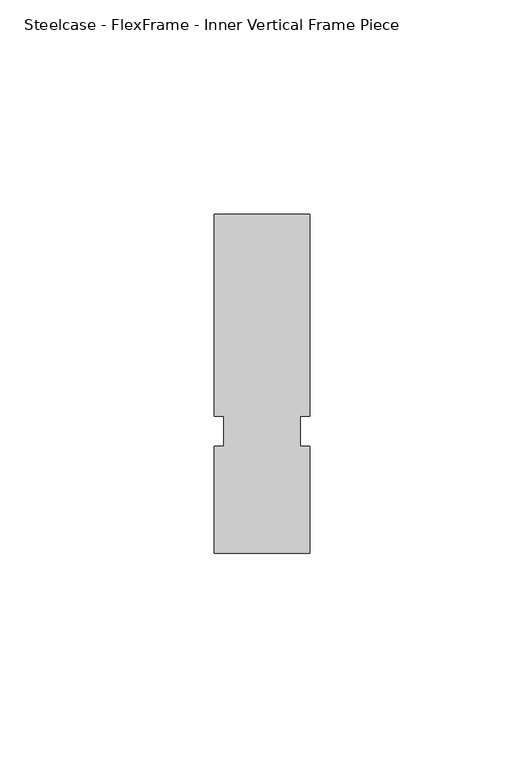
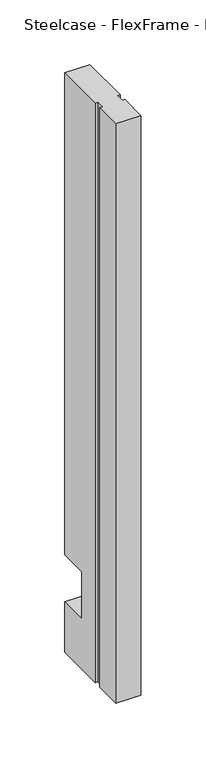
"""IFC4 building model written with IfcOpenShell, lengths in millimetres: furniture geometry, Steelcase - FlexFrame - Inner Vertical Frame Piece."""

from ifc_helpers import new_model, si_unit, origin, place, context, project, spatial, faceted_brep, source, transform, mapped, element, save


def steelcase_flexframe_inner_vertical_frame_piece_bfdd3675(model_context):
    return source(origin(), model_context, "Body", "Brep", [
        faceted_brep([(11.176, -26.5430019, 106.0449969), (11.176, -26.5430019, 61.5950211), (-11.176, -26.5430019, 61.5950211), (-11.176, -26.5430019, 106.0449969), (-11.176, 0.0, 61.5950211), (-11.176, 0.0, 13.97), (-11.176, -47.1678331, 13.97), (-11.176, -47.1678331, 560.832), (-11.176, 0.0, 560.832), (-11.176, 0.0, 106.0449969), (-8.89, -47.1678331, 560.832), (-8.89, -47.1678331, 13.97), (-8.89, -54.1527992, 560.832), (-8.89, -54.1527992, 13.97), (-11.176, -54.1527992, 560.832), (-11.176, -54.1527992, 13.97), (-11.176, -79.248, 560.832), (-11.176, -79.248, 13.97), (11.176, -79.248, 560.832), (11.176, -79.248, 13.97), (11.176, -54.1527992, 560.832), (11.176, -54.1527992, 13.97), (8.89, -54.1527992, 560.832), (8.89, -54.1527992, 13.97), (8.89, -47.1678331, 560.832), (8.89, -47.1678331, 13.97), (11.176, -47.1678331, 560.832), (11.176, -47.1678331, 13.97), (11.176, 0.0, 106.0449969), (11.176, 0.0, 560.832), (11.176, 0.0, 13.97), (11.176, 0.0, 61.5950211)], [[[0, 1, 2, 3]], [[3, 2, 4, 5, 6, 7, 8, 9]], [[10, 7, 6, 11]], [[12, 10, 11, 13]], [[14, 12, 13, 15]], [[16, 14, 15, 17]], [[18, 16, 17, 19]], [[20, 18, 19, 21]], [[22, 20, 21, 23]], [[24, 22, 23, 25]], [[26, 24, 25, 27]], [[1, 0, 28, 29, 26, 27, 30, 31]], [[29, 8, 7, 10, 12, 14, 16, 18, 20, 22, 24, 26]], [[9, 28, 0, 3]], [[8, 29, 28, 9]], [[31, 4, 2, 1]], [[30, 27, 25, 23, 21, 19, 17, 15, 13, 11, 6, 5]], [[4, 31, 30, 5]]]),
    ])


if __name__ == "__main__":
    model = new_model("IFC4")
    model_context = context("Model", 3, world=origin())
    ifc_project = project(units=[si_unit("LENGTHUNIT", "METRE", prefix="MILLI")], contexts=[model_context])
    site = spatial("IfcSite", under=ifc_project)
    building = spatial("IfcBuilding", under=site)
    placement = place(None, origin())
    steelcase_flexframe_inner_vertical_frame_piece_shape = steelcase_flexframe_inner_vertical_frame_piece_bfdd3675(model_context)
    element("IfcFurniture", 1, ObjectType="Steelcase - FlexFrame - Inner Vertical Frame Piece", at=placement, inside=building, context=model_context, shape_type="MappedRepresentation", body=[
        mapped(steelcase_flexframe_inner_vertical_frame_piece_shape, transform((0.0, 0.0, 0.0), x_axis=(1.0, 0.0, 0.0), y_axis=(0.0, 1.0, 0.0), z_axis=(0.0, 0.0, 1.0))),
    ])
    save(model, "model.ifc")
